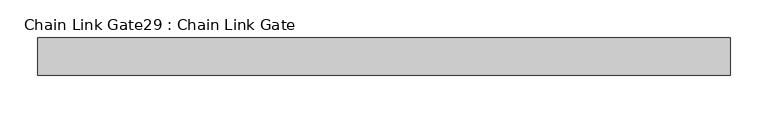
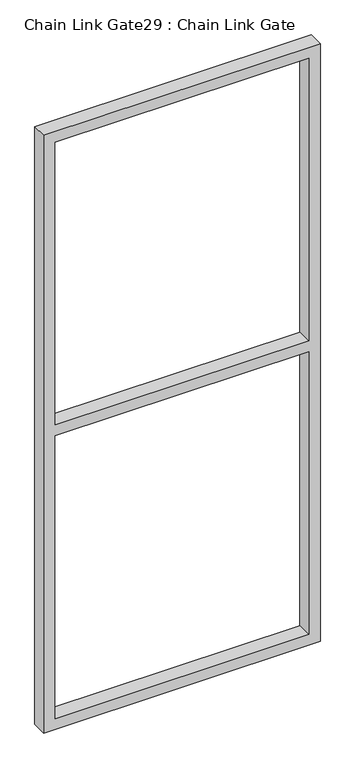
"""IFC4 building model written with IfcOpenShell, lengths in millimetres: proxy geometry, Chain Link Gate29 : Chain Link Gate."""

from ifc_helpers import new_model, si_unit, frame, origin, place, context, project, spatial, polyline, outline, extrude, source, transform, mapped, element, save


def chain_link_gate29_chain_link_gate_cd18ef07(model_context):
    return source(origin(), model_context, "Body", "SweptSolid", [
        extrude(outline(polyline([(2120.9, -13465.1848205), (12.7, -13465.1848205), (12.7, -12541.2598205), (2120.9, -12541.2598205), (2120.9, -13465.1848205)]), holes=[polyline([(2082.8, -13427.0848205), (2082.8, -12579.3598205), (1085.85, -12579.3598205), (1085.85, -13427.0848205), (2082.8, -13427.0848205)]), polyline([(1047.75, -12579.3598205), (50.8, -12579.3598205), (50.8, -13427.0848205), (1047.75, -13427.0848205), (1047.75, -12579.3598205)])]), frame((0.0, -1117.8887923, 0.0), z_axis=(0.0, 1.0, 0.0), x_axis=(0.0, 0.0, 1.0)), (0.0, 0.0, 1.0), 50.1314753),
    ])


if __name__ == "__main__":
    model = new_model("IFC4")
    model_context = context("Model", 3, world=origin())
    ifc_project = project(units=[si_unit("LENGTHUNIT", "METRE", prefix="MILLI")], contexts=[model_context])
    site = spatial("IfcSite", under=ifc_project)
    building = spatial("IfcBuilding", under=site)
    placement = place(None, origin())
    chain_link_gate29_chain_link_gate_shape = chain_link_gate29_chain_link_gate_cd18ef07(model_context)
    element("IfcBuildingElementProxy", 1, Name="Chain Link Gate29 : Chain Link Gate", ObjectType="Chain Link Gate29 : Chain Link Gate", at=placement, inside=building, context=model_context, shape_type="MappedRepresentation", body=[
        mapped(chain_link_gate29_chain_link_gate_shape, transform((0.0, 0.0, 0.0), x_axis=(1.0, 0.0, 0.0), y_axis=(0.0, 1.0, 0.0), z_axis=(0.0, 0.0, 1.0))),
    ])
    save(model, "model.ifc")
